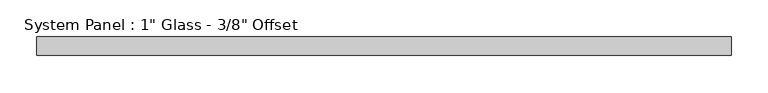
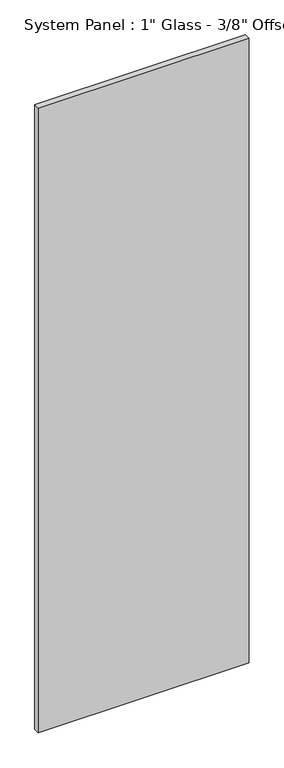
"""IFC4 building model written with IfcOpenShell, lengths in millimetres: plate geometry."""

from ifc_helpers import new_model, si_unit, origin, origin_with_axes, place, context, project, spatial, polyline, outline, extrude, source, transform, mapped, element, save


def plate_b48bed14(model_context):
    return source(origin(), model_context, "Body", "SweptSolid", [
        extrude(outline(polyline([(472.6408815, -3.175), (-472.6408815, -3.175), (-472.6408815, 22.225), (472.6408815, 22.225), (472.6408815, -3.175)])), origin_with_axes(), (0.0, 0.0, 1.0), 2959.1),
    ])


if __name__ == "__main__":
    model = new_model("IFC4")
    model_context = context("Model", 3, world=origin())
    ifc_project = project(units=[si_unit("LENGTHUNIT", "METRE", prefix="MILLI")], contexts=[model_context])
    site = spatial("IfcSite", under=ifc_project)
    building = spatial("IfcBuilding", under=site)
    placement = place(None, origin())
    plate_shape = plate_b48bed14(model_context)
    element("IfcPlate", 1, ObjectType="System Panel : 1\" Glass - 3/8\" Offset", at=placement, inside=building, context=model_context, shape_type="MappedRepresentation", body=[
        mapped(plate_shape, transform((0.0, 0.0, 0.0), x_axis=(1.0, 0.0, 0.0), y_axis=(0.0, 1.0, 0.0), z_axis=(0.0, 0.0, 1.0))),
    ])
    save(model, "model.ifc")
